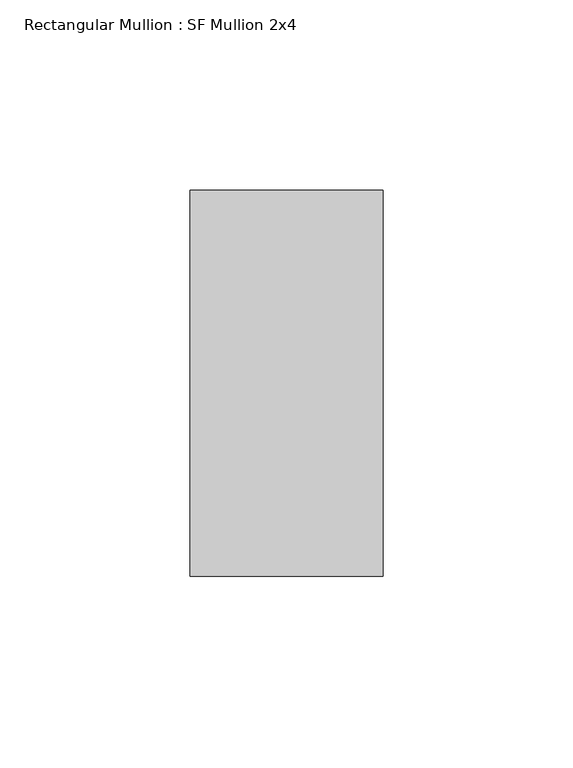
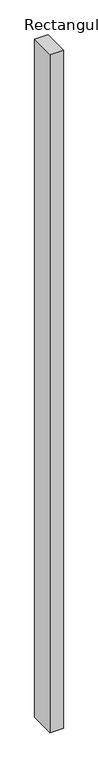
"""IFC4 building model written with IfcOpenShell, lengths in millimetres: member geometry, Rectangular Mullion : SF Mullion 2x4."""

from ifc_helpers import new_model, si_unit, frame, origin, place, context, project, spatial, polyline, outline, extrude, source, transform, mapped, element, save


def rectangular_mullion_sf_mullion_2x4_cdaefcda(model_context):
    return source(origin(), model_context, "Body", "SweptSolid", [
        extrude(outline(polyline([(25.4, 50.8), (25.4, -50.8), (-25.4, -50.8), (-25.4, 50.8), (25.4, 50.8)])), frame((0.0, 0.0, -2743.2), z_axis=(0.0, 0.0, 1.0), x_axis=(1.0, 0.0, 0.0)), (0.0, 0.0, 1.0), 2743.2),
    ])


if __name__ == "__main__":
    model = new_model("IFC4")
    model_context = context("Model", 3, world=origin())
    ifc_project = project(units=[si_unit("LENGTHUNIT", "METRE", prefix="MILLI")], contexts=[model_context])
    site = spatial("IfcSite", under=ifc_project)
    building = spatial("IfcBuilding", under=site)
    placement = place(None, origin())
    rectangular_mullion_sf_mullion_2x4_shape = rectangular_mullion_sf_mullion_2x4_cdaefcda(model_context)
    element("IfcMember", 1, ObjectType="Rectangular Mullion : SF Mullion 2x4", at=placement, inside=building, context=model_context, shape_type="MappedRepresentation", body=[
        mapped(rectangular_mullion_sf_mullion_2x4_shape, transform((0.0, 0.0, 0.0), x_axis=(1.0, 0.0, 0.0), y_axis=(0.0, 1.0, 0.0), z_axis=(0.0, 0.0, 1.0))),
    ])
    save(model, "model.ifc")
